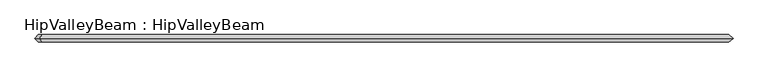
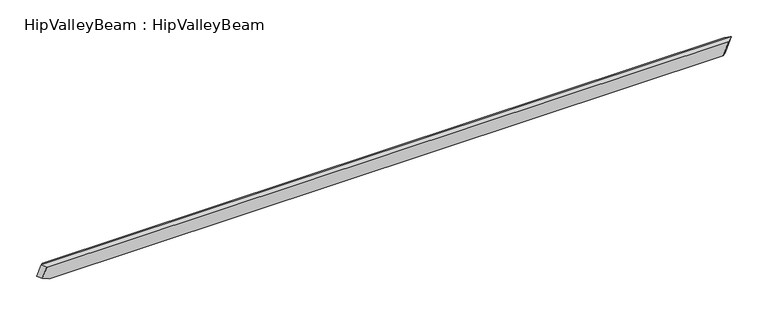
"""IFC4 building model written with IfcOpenShell, lengths in millimetres: beam geometry, HipValleyBeam : HipValleyBeam."""

import ifcopenshell
import ifcopenshell.guid

model = None  # the IFC model being written
_history = None  # IfcOwnerHistory: only IFC2X3 demands one
_inside = {}  # id of a spatial element -> (the spatial element, [elements in it])
_under = {}  # id of a project, library or spatial element -> (it, [spatial elements below it])
_declared = {}  # id of a project -> (the project, [libraries it declares])
_typed = {}  # id of a type object -> (the type object, [elements of that type])
_made_of = {}  # id of a material, layer set ... -> (it, [elements and type objects made of it])


def new_model(schema):
    """Start an empty IFC model of exactly this schema.

    Asked for "IFC4X3", IfcOpenShell would pick the latest addendum, in which some entities
    have other attributes; the version numbers below select the first issue.
    IFC2X3 requires an IfcOwnerHistory on every rooted entity: one is made here for all.
    """
    global model, _history
    if schema == "IFC4X3":
        model = ifcopenshell.file(schema_version=(4, 3, 0, 0))
    else:
        model = ifcopenshell.file(schema=schema)
    _inside.clear()
    _under.clear()
    _declared.clear()
    _typed.clear()
    _made_of.clear()
    _history = None
    if model.schema == "IFC2X3":
        org = make("IfcOrganization", Name="unknown")
        user = make(
            "IfcPersonAndOrganization",
            ThePerson=make("IfcPerson", FamilyName="unknown"),
            TheOrganization=org,
        )
        app = make(
            "IfcApplication",
            ApplicationDeveloper=org,
            Version="unknown",
            ApplicationFullName="unknown",
            ApplicationIdentifier="unknown",
        )
        _history = make(
            "IfcOwnerHistory",
            OwningUser=user,
            OwningApplication=app,
            ChangeAction="ADDED",
            CreationDate=0,
        )
    return model


def make(cls, **values):
    """One entity of the class cls with the attributes given. An attribute that is None is left unset."""
    return model.create_entity(
        cls, **{name: value for name, value in values.items() if value is not None}
    )


def rooted(cls, **values):
    """An entity with a GlobalId (a new one), such as an element, a storey or a relation."""
    return make(cls, GlobalId=ifcopenshell.guid.new(), OwnerHistory=_history, **values)


def si_unit(unit_type, name, prefix=None):
    """IfcSIUnit, for example si_unit("LENGTHUNIT", "METRE", prefix="MILLI")."""
    return make("IfcSIUnit", UnitType=unit_type, Prefix=prefix, Name=name)


def assignment(units):
    """IfcUnitAssignment: the units of a project."""
    return None if units is None else make("IfcUnitAssignment", Units=units)


def point(xyz):
    """IfcCartesianPoint."""
    return None if xyz is None else make("IfcCartesianPoint", Coordinates=xyz)


def direction(xyz):
    """IfcDirection."""
    return None if xyz is None else make("IfcDirection", DirectionRatios=xyz)


def frame(location, z_axis=None, x_axis=None):
    """IfcAxis2Placement3D, a coordinate frame: its origin and axes. An axis left out is left unset."""
    return make(
        "IfcAxis2Placement3D",
        Location=point(location),
        Axis=direction(z_axis),
        RefDirection=direction(x_axis),
    )


def origin():
    """The frame at (0, 0, 0) with its axes left unset."""
    return frame((0.0, 0.0, 0.0))


def place(relative_to, where):
    """IfcLocalPlacement: puts the frame where relative to a parent placement (None: the world)."""
    return make(
        "IfcLocalPlacement", PlacementRelTo=relative_to, RelativePlacement=where
    )


def context(
    kind, dimensions, precision=None, world=None, true_north=None, identifier=None
):
    """IfcGeometricRepresentationContext, for example the 3D "Model" context."""
    return make(
        "IfcGeometricRepresentationContext",
        ContextIdentifier=identifier,
        ContextType=kind,
        CoordinateSpaceDimension=dimensions,
        Precision=precision,
        WorldCoordinateSystem=world,
        TrueNorth=true_north,
    )


def project(units=None, contexts=None):
    """IfcProject with its units and contexts."""
    return rooted(
        "IfcProject",
        Name="project",
        RepresentationContexts=contexts,
        UnitsInContext=assignment(units),
    )


def spatial(cls, under=None, at=None, **own):
    """A site, building, storey or space (cls), placed at a placement, below another one or the project."""
    s = rooted(cls, ObjectPlacement=at, **own)
    if under is not None:
        _under.setdefault(under.id(), (under, []))[1].append(s)
    return s


def faces_of(points, faces, orient=None, outer=None):
    """IfcFace entities. A face is a list of loops; a loop is a list of indices into points, from 0.

    orient and outer hold one flag for each loop. By default every Orientation is true, the
    first loop of a face is its IfcFaceOuterBound and the others are IfcFaceBound.
    """
    made = []
    for i, loops in enumerate(faces):
        bounds = []
        for j, loop in enumerate(loops):
            is_outer = j == 0 if outer is None else outer[i][j]
            bounds.append(
                make(
                    "IfcFaceOuterBound" if is_outer else "IfcFaceBound",
                    Bound=make("IfcPolyLoop", Polygon=[points[k] for k in loop]),
                    Orientation=True if orient is None else orient[i][j],
                )
            )
        made.append(make("IfcFace", Bounds=bounds))
    return made


def faceted_brep(points, faces, orient=None, outer=None, voids=None):
    """IfcFacetedBrep: a solid bounded by flat faces; with voids (closed shells), ...WithVoids."""
    shared = [point(p) for p in points]
    hull = make("IfcClosedShell", CfsFaces=faces_of(shared, faces, orient, outer))
    if voids is None:
        return make("IfcFacetedBrep", Outer=hull)
    return make(
        "IfcFacetedBrepWithVoids",
        Outer=hull,
        Voids=[
            make(cls, CfsFaces=faces_of(shared, fs, o, b)) for cls, fs, o, b in voids
        ],
    )


def shape(context_of_items, identifier, shape_type, items):
    """IfcShapeRepresentation: the items that make up one representation, for example the "Body"."""
    return make(
        "IfcShapeRepresentation",
        ContextOfItems=context_of_items,
        RepresentationIdentifier=identifier,
        RepresentationType=shape_type,
        Items=items,
    )


def source(mapping_origin, context_of_items, identifier, shape_type, items):
    """IfcRepresentationMap: a shape defined once, which mapped items show again and again."""
    return make(
        "IfcRepresentationMap",
        MappingOrigin=mapping_origin,
        MappedRepresentation=shape(context_of_items, identifier, shape_type, items),
    )


def transform(
    local_origin,
    x_axis=None,
    y_axis=None,
    z_axis=None,
    scale=None,
    scale2=None,
    scale3=None,
    uniform=True,
):
    """IfcCartesianTransformationOperator3D, or its non-uniform kind. x_axis, y_axis, z_axis: its Axis1, 2, 3."""
    if uniform:
        return make(
            "IfcCartesianTransformationOperator3D",
            Axis1=direction(x_axis),
            Axis2=direction(y_axis),
            LocalOrigin=point(local_origin),
            Scale=scale,
            Axis3=direction(z_axis),
        )
    return make(
        "IfcCartesianTransformationOperator3DnonUniform",
        Axis1=direction(x_axis),
        Axis2=direction(y_axis),
        LocalOrigin=point(local_origin),
        Scale=scale,
        Axis3=direction(z_axis),
        Scale2=scale2,
        Scale3=scale3,
    )


def mapped(mapping_source, mapping_target):
    """IfcMappedItem: shows the shape of a source again, moved by a transform."""
    return make(
        "IfcMappedItem", MappingSource=mapping_source, MappingTarget=mapping_target
    )


def made_of(thing, what):
    """Note that an element or type object is made of a material, layer set ...; save() writes the relation."""
    if what is not None:
        _made_of.setdefault(what.id(), (what, []))[1].append(thing)
    return thing


def element(
    cls,
    number,
    at=None,
    inside=None,
    cuts=None,
    type_object=None,
    material=None,
    context=None,
    identifier="Body",
    shape_type=None,
    held_by="IfcProductDefinitionShape",
    body=None,
    shapes=None,
    **own,
):
    """One element of the class cls, such as IfcWall. Its Tag is "e" and its number.

    at: its placement. inside: the storey or other place that contains it. cuts: it is an
    opening in that element (IfcRelVoidsElement). A single representation is given by context,
    identifier, shape_type and body (its items); several are given by shapes. held_by: the class
    of the entity that holds the representations. save() writes the other relations.
    """
    e = rooted(cls, Tag="e%d" % number, ObjectPlacement=at, **own)
    if body is not None:
        shapes = [shape(context, identifier, shape_type, body)]
    if shapes is not None:
        e.Representation = make(held_by, Representations=shapes)
    if inside is not None:
        _inside.setdefault(inside.id(), (inside, []))[1].append(e)
    if cuts is not None:
        rooted(
            "IfcRelVoidsElement", RelatingBuildingElement=cuts, RelatedOpeningElement=e
        )
    if type_object is not None:
        _typed.setdefault(type_object.id(), (type_object, []))[1].append(e)
    return made_of(e, material)


def aggregate(whole, parts):
    """IfcRelAggregates: a whole, such as a stair, and the parts it consists of."""
    return rooted("IfcRelAggregates", RelatingObject=whole, RelatedObjects=parts)


def save(model, path):
    """Write the relations noted so far, then the file.

    IfcRelAggregates (storeys below a building ...), IfcRelContainedInSpatialStructure (elements
    in a storey), IfcRelDefinesByType, IfcRelAssociatesMaterial and IfcRelDeclares: one each for
    every whole, place, type object, material and project.
    """
    for whole, parts in _under.values():
        aggregate(whole, parts)
    for where, things in _inside.values():
        rooted(
            "IfcRelContainedInSpatialStructure",
            RelatedElements=things,
            RelatingStructure=where,
        )
    for kind, things in _typed.values():
        rooted("IfcRelDefinesByType", RelatedObjects=things, RelatingType=kind)
    for what, things in _made_of.values():
        rooted("IfcRelAssociatesMaterial", RelatedObjects=things, RelatingMaterial=what)
    for by, libraries in _declared.values():
        rooted("IfcRelDeclares", RelatingContext=by, RelatedDefinitions=libraries)
    model.write(path)


def hipvalleybeam_hipvalleybeam_05f290c8(model_context):
    return source(origin(), model_context, "Body", "Brep", [
        faceted_brep([(3709.3337114, 40.0, -160.0), (3752.5386494, 0.0, -160.0), (3709.3337114, -40.0, -160.0), (-3750.8905368, -40.0, -160.0), (-3750.8905368, 40.0, -160.0), (3768.4813039, 40.0, -15.1185789), (-3827.2470747, 40.0, -128.8275739), (-3780.8255719, 40.0, -15.1185789), (3768.4813039, -40.0, -15.1185789), (-3780.8255719, -40.0, -15.1185789), (-3827.2470747, -40.0, -128.8275739), (3817.8583759, 0.0, 0.0), (-3817.8583759, 0.0, 0.0), (-3864.2798787, 0.0, -113.708995)], [[[0, 1, 2, 3, 4]], [[5, 0, 4, 6, 7]], [[2, 8, 9, 10, 3]], [[2, 1, 11, 8]], [[1, 0, 5, 11]], [[12, 7, 6, 13]], [[9, 12, 13, 10]], [[12, 11, 5, 7]], [[4, 3, 10, 13, 6]], [[11, 12, 9, 8]]]),
    ])


if __name__ == "__main__":
    model = new_model("IFC4")
    model_context = context("Model", 3, world=origin())
    ifc_project = project(units=[si_unit("LENGTHUNIT", "METRE", prefix="MILLI")], contexts=[model_context])
    site = spatial("IfcSite", under=ifc_project)
    building = spatial("IfcBuilding", under=site)
    placement = place(None, origin())
    hipvalleybeam_hipvalleybeam_shape = hipvalleybeam_hipvalleybeam_05f290c8(model_context)
    element("IfcBeam", 1, ObjectType="HipValleyBeam : HipValleyBeam", at=placement, inside=building, context=model_context, shape_type="MappedRepresentation", body=[
        mapped(hipvalleybeam_hipvalleybeam_shape, transform((0.0, 0.0, 0.0), x_axis=(1.0, 0.0, 0.0), y_axis=(0.0, 1.0, 0.0), z_axis=(0.0, 0.0, 1.0))),
    ])
    save(model, "model.ifc")
